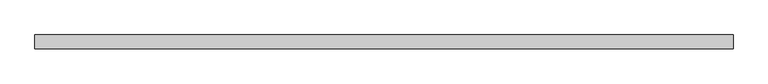
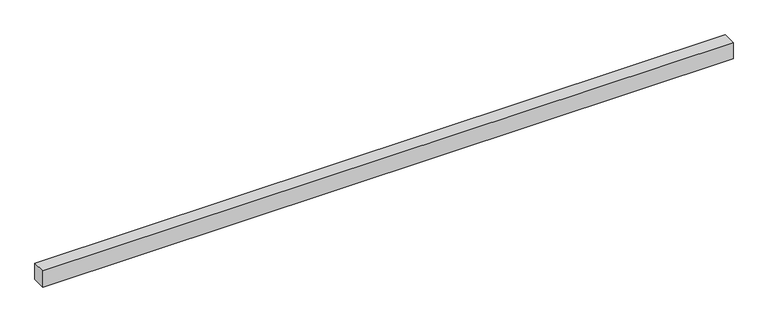
"""IFC4 building model written with IfcOpenShell, lengths in millimetres: proxy geometry."""

from ifc_helpers import new_model, si_unit, frame, origin, place, context, project, spatial, polyline, outline, extrude, source, transform, mapped, element, save


def generic_models_9aba4c35(model_context):
    return source(origin(), model_context, "Body", "SweptSolid", [
        extrude(outline(polyline([(40.0, 0.0), (-40.0, 0.0), (-40.0, 4040.0), (40.0, 4040.0), (40.0, 0.0)])), frame((4040.0, 0.0, 0.0), z_axis=(0.0, -1.9783474858313244e-12, 1.0), x_axis=(0.0, 1.0, 1.9783474858313244e-12)), (0.0, 0.0, 1.0), 100.0),
    ])


if __name__ == "__main__":
    model = new_model("IFC4")
    model_context = context("Model", 3, world=origin())
    ifc_project = project(units=[si_unit("LENGTHUNIT", "METRE", prefix="MILLI")], contexts=[model_context])
    site = spatial("IfcSite", under=ifc_project)
    building = spatial("IfcBuilding", under=site)
    placement = place(None, origin())
    generic_models_shape = generic_models_9aba4c35(model_context)
    element("IfcBuildingElementProxy", 1, Name="Generic Models", at=placement, inside=building, context=model_context, shape_type="MappedRepresentation", body=[
        mapped(generic_models_shape, transform((0.0, 0.0, 0.0), x_axis=(1.0, 0.0, 0.0), y_axis=(0.0, 1.0, 0.0), z_axis=(0.0, 0.0, 1.0))),
    ])
    save(model, "model.ifc")
